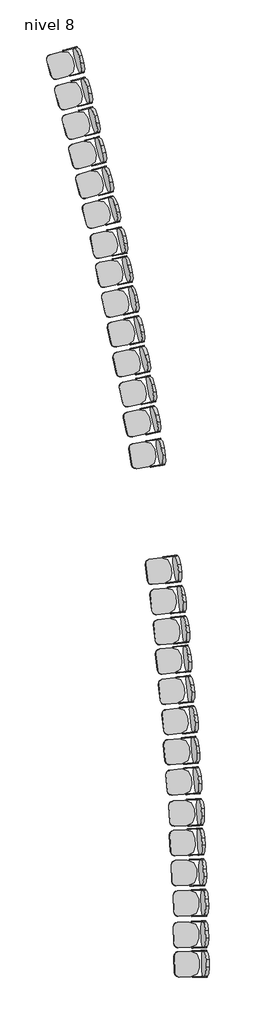
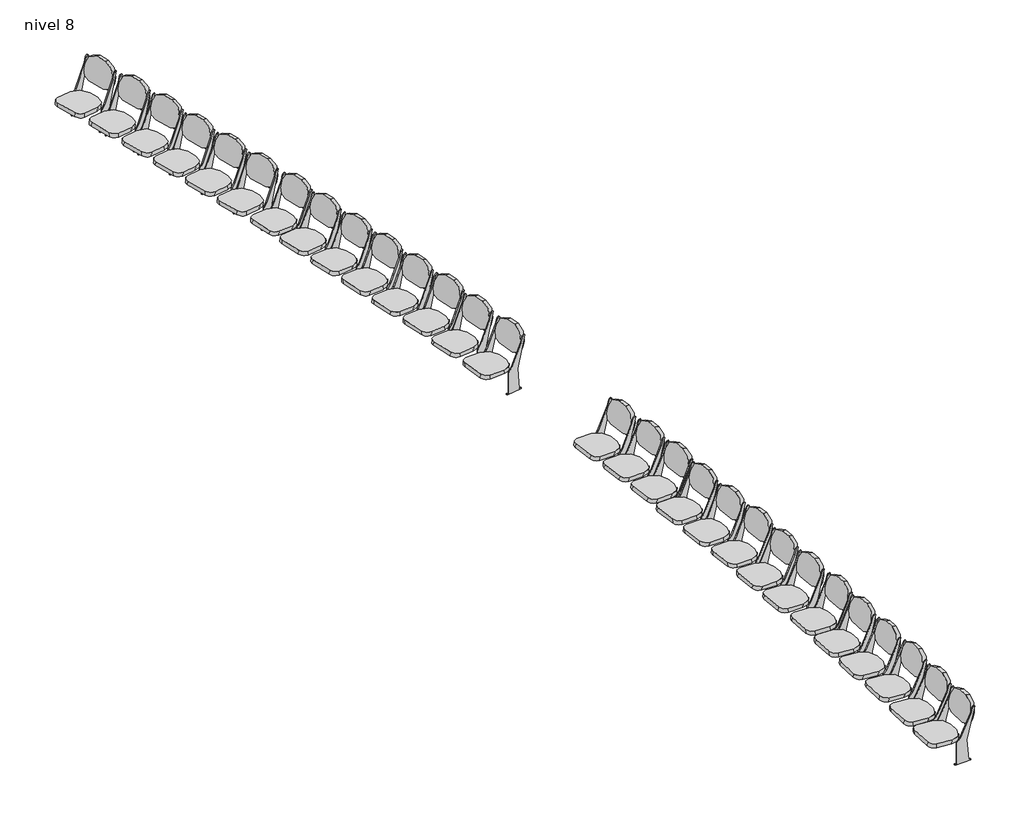
# One storey: 28 furniture elements.
"""IFC4 building model written with IfcOpenShell, lengths in millimetres."""

import ifcopenshell
import ifcopenshell.guid

model = None  # the IFC model being written
_history = None  # IfcOwnerHistory: only IFC2X3 demands one
_inside = {}  # id of a spatial element -> (the spatial element, [elements in it])
_under = {}  # id of a project, library or spatial element -> (it, [spatial elements below it])
_declared = {}  # id of a project -> (the project, [libraries it declares])
_typed = {}  # id of a type object -> (the type object, [elements of that type])
_made_of = {}  # id of a material, layer set ... -> (it, [elements and type objects made of it])


def new_model(schema):
    """Start an empty IFC model of exactly this schema.

    Asked for "IFC4X3", IfcOpenShell would pick the latest addendum, in which some entities
    have other attributes; the version numbers below select the first issue.
    IFC2X3 requires an IfcOwnerHistory on every rooted entity: one is made here for all.
    """
    global model, _history
    if schema == "IFC4X3":
        model = ifcopenshell.file(schema_version=(4, 3, 0, 0))
    else:
        model = ifcopenshell.file(schema=schema)
    _inside.clear()
    _under.clear()
    _declared.clear()
    _typed.clear()
    _made_of.clear()
    _history = None
    if model.schema == "IFC2X3":
        org = make("IfcOrganization", Name="unknown")
        user = make(
            "IfcPersonAndOrganization",
            ThePerson=make("IfcPerson", FamilyName="unknown"),
            TheOrganization=org,
        )
        app = make(
            "IfcApplication",
            ApplicationDeveloper=org,
            Version="unknown",
            ApplicationFullName="unknown",
            ApplicationIdentifier="unknown",
        )
        _history = make(
            "IfcOwnerHistory",
            OwningUser=user,
            OwningApplication=app,
            ChangeAction="ADDED",
            CreationDate=0,
        )
    return model


def make(cls, **values):
    """One entity of the class cls with the attributes given. An attribute that is None is left unset."""
    return model.create_entity(
        cls, **{name: value for name, value in values.items() if value is not None}
    )


def rooted(cls, **values):
    """An entity with a GlobalId (a new one), such as an element, a storey or a relation."""
    return make(cls, GlobalId=ifcopenshell.guid.new(), OwnerHistory=_history, **values)


def si_unit(unit_type, name, prefix=None):
    """IfcSIUnit, for example si_unit("LENGTHUNIT", "METRE", prefix="MILLI")."""
    return make("IfcSIUnit", UnitType=unit_type, Prefix=prefix, Name=name)


def assignment(units):
    """IfcUnitAssignment: the units of a project."""
    return None if units is None else make("IfcUnitAssignment", Units=units)


def point(xyz):
    """IfcCartesianPoint."""
    return None if xyz is None else make("IfcCartesianPoint", Coordinates=xyz)


def direction(xyz):
    """IfcDirection."""
    return None if xyz is None else make("IfcDirection", DirectionRatios=xyz)


def frame(location, z_axis=None, x_axis=None):
    """IfcAxis2Placement3D, a coordinate frame: its origin and axes. An axis left out is left unset."""
    return make(
        "IfcAxis2Placement3D",
        Location=point(location),
        Axis=direction(z_axis),
        RefDirection=direction(x_axis),
    )


def frame_2d(location, x_axis=None):
    """IfcAxis2Placement2D, a coordinate frame in the plane: its origin and x axis."""
    return make(
        "IfcAxis2Placement2D", Location=point(location), RefDirection=direction(x_axis)
    )


def origin():
    """The frame at (0, 0, 0) with its axes left unset."""
    return frame((0.0, 0.0, 0.0))


def place(relative_to, where):
    """IfcLocalPlacement: puts the frame where relative to a parent placement (None: the world)."""
    return make(
        "IfcLocalPlacement", PlacementRelTo=relative_to, RelativePlacement=where
    )


def context(
    kind, dimensions, precision=None, world=None, true_north=None, identifier=None
):
    """IfcGeometricRepresentationContext, for example the 3D "Model" context."""
    return make(
        "IfcGeometricRepresentationContext",
        ContextIdentifier=identifier,
        ContextType=kind,
        CoordinateSpaceDimension=dimensions,
        Precision=precision,
        WorldCoordinateSystem=world,
        TrueNorth=true_north,
    )


def project(units=None, contexts=None):
    """IfcProject with its units and contexts."""
    return rooted(
        "IfcProject",
        Name="project",
        RepresentationContexts=contexts,
        UnitsInContext=assignment(units),
    )


def spatial(cls, under=None, at=None, **own):
    """A site, building, storey or space (cls), placed at a placement, below another one or the project."""
    s = rooted(cls, ObjectPlacement=at, **own)
    if under is not None:
        _under.setdefault(under.id(), (under, []))[1].append(s)
    return s


def polyline(points):
    """IfcPolyline through the points."""
    return make("IfcPolyline", Points=[point(p) for p in points])


def circle_curve(where, radius):
    """IfcCircle in the frame where."""
    return make("IfcCircle", Position=where, Radius=radius)


def trimmed(basis, trim1, trim2, sense, master):
    """IfcTrimmedCurve: the piece of a basis curve between two trims."""
    return make(
        "IfcTrimmedCurve",
        BasisCurve=basis,
        Trim1=trim1,
        Trim2=trim2,
        SenseAgreement=sense,
        MasterRepresentation=master,
    )


def segment(curve, same_sense, transition):
    """IfcCompositeCurveSegment."""
    return make(
        "IfcCompositeCurveSegment",
        Transition=transition,
        SameSense=same_sense,
        ParentCurve=curve,
    )


def composite_curve(segments, self_intersect=None):
    """IfcCompositeCurve: segments joined end to end."""
    return make("IfcCompositeCurve", Segments=segments, SelfIntersect=self_intersect)


def outline(outer, holes=None, kind="AREA"):
    """IfcArbitraryClosedProfileDef: a profile drawn as a closed curve; with holes, ...WithVoids."""
    if holes is None:
        return make("IfcArbitraryClosedProfileDef", ProfileType=kind, OuterCurve=outer)
    return make(
        "IfcArbitraryProfileDefWithVoids",
        ProfileType=kind,
        OuterCurve=outer,
        InnerCurves=holes,
    )


def extrude(swept, where, along, depth):
    """IfcExtrudedAreaSolid: the profile swept, set in the frame where, extruded along a direction by depth."""
    return make(
        "IfcExtrudedAreaSolid",
        SweptArea=swept,
        Position=where,
        ExtrudedDirection=direction(along),
        Depth=depth,
    )


def shape(context_of_items, identifier, shape_type, items):
    """IfcShapeRepresentation: the items that make up one representation, for example the "Body"."""
    return make(
        "IfcShapeRepresentation",
        ContextOfItems=context_of_items,
        RepresentationIdentifier=identifier,
        RepresentationType=shape_type,
        Items=items,
    )


def source(mapping_origin, context_of_items, identifier, shape_type, items):
    """IfcRepresentationMap: a shape defined once, which mapped items show again and again."""
    return make(
        "IfcRepresentationMap",
        MappingOrigin=mapping_origin,
        MappedRepresentation=shape(context_of_items, identifier, shape_type, items),
    )


def transform(
    local_origin,
    x_axis=None,
    y_axis=None,
    z_axis=None,
    scale=None,
    scale2=None,
    scale3=None,
    uniform=True,
):
    """IfcCartesianTransformationOperator3D, or its non-uniform kind. x_axis, y_axis, z_axis: its Axis1, 2, 3."""
    if uniform:
        return make(
            "IfcCartesianTransformationOperator3D",
            Axis1=direction(x_axis),
            Axis2=direction(y_axis),
            LocalOrigin=point(local_origin),
            Scale=scale,
            Axis3=direction(z_axis),
        )
    return make(
        "IfcCartesianTransformationOperator3DnonUniform",
        Axis1=direction(x_axis),
        Axis2=direction(y_axis),
        LocalOrigin=point(local_origin),
        Scale=scale,
        Axis3=direction(z_axis),
        Scale2=scale2,
        Scale3=scale3,
    )


def mapped(mapping_source, mapping_target):
    """IfcMappedItem: shows the shape of a source again, moved by a transform."""
    return make(
        "IfcMappedItem", MappingSource=mapping_source, MappingTarget=mapping_target
    )


def made_of(thing, what):
    """Note that an element or type object is made of a material, layer set ...; save() writes the relation."""
    if what is not None:
        _made_of.setdefault(what.id(), (what, []))[1].append(thing)
    return thing


def element(
    cls,
    number,
    at=None,
    inside=None,
    cuts=None,
    type_object=None,
    material=None,
    context=None,
    identifier="Body",
    shape_type=None,
    held_by="IfcProductDefinitionShape",
    body=None,
    shapes=None,
    **own,
):
    """One element of the class cls, such as IfcWall. Its Tag is "e" and its number.

    at: its placement. inside: the storey or other place that contains it. cuts: it is an
    opening in that element (IfcRelVoidsElement). A single representation is given by context,
    identifier, shape_type and body (its items); several are given by shapes. held_by: the class
    of the entity that holds the representations. save() writes the other relations.
    """
    e = rooted(cls, Tag="e%d" % number, ObjectPlacement=at, **own)
    if body is not None:
        shapes = [shape(context, identifier, shape_type, body)]
    if shapes is not None:
        e.Representation = make(held_by, Representations=shapes)
    if inside is not None:
        _inside.setdefault(inside.id(), (inside, []))[1].append(e)
    if cuts is not None:
        rooted(
            "IfcRelVoidsElement", RelatingBuildingElement=cuts, RelatedOpeningElement=e
        )
    if type_object is not None:
        _typed.setdefault(type_object.id(), (type_object, []))[1].append(e)
    return made_of(e, material)


def aggregate(whole, parts):
    """IfcRelAggregates: a whole, such as a stair, and the parts it consists of."""
    return rooted("IfcRelAggregates", RelatingObject=whole, RelatedObjects=parts)


def save(model, path):
    """Write the relations noted so far, then the file.

    IfcRelAggregates (storeys below a building ...), IfcRelContainedInSpatialStructure (elements
    in a storey), IfcRelDefinesByType, IfcRelAssociatesMaterial and IfcRelDeclares: one each for
    every whole, place, type object, material and project.
    """
    for whole, parts in _under.values():
        aggregate(whole, parts)
    for where, things in _inside.values():
        rooted(
            "IfcRelContainedInSpatialStructure",
            RelatedElements=things,
            RelatingStructure=where,
        )
    for kind, things in _typed.values():
        rooted("IfcRelDefinesByType", RelatedObjects=things, RelatingType=kind)
    for what, things in _made_of.values():
        rooted("IfcRelAssociatesMaterial", RelatedObjects=things, RelatingMaterial=what)
    for by, libraries in _declared.values():
        rooted("IfcRelDeclares", RelatingContext=by, RelatedDefinitions=libraries)
    model.write(path)


def furniture_457_x_610mm_3d1d9cbc(model_context):
    return source(origin(), model_context, "Body", "SweptSolid", [
        extrude(outline(composite_curve([segment(polyline([(0.0, 0.0), (127.0, 0.0)]), True, "CONTINUOUS"), segment(trimmed(circle_curve(frame_2d((127.0, -152.4)), 152.4), [point((127.0, 0.0))], [point((279.4, -152.4))], False, "CARTESIAN"), True, "CONTINUOUS"), segment(polyline([(279.4, -152.4), (279.4, -224.0588601)]), True, "CONTINUOUS"), segment(trimmed(circle_curve(frame_2d((177.8, -224.0588601)), 101.6), [point((279.4, -224.0588601))], [point((177.8, -325.6588601))], False, "CARTESIAN"), True, "CONTINUOUS"), segment(polyline([(177.8, -325.6588601), (-50.8, -325.6588601)]), True, "CONTINUOUS"), segment(trimmed(circle_curve(frame_2d((-50.8, -224.0588601)), 101.6), [point((-50.8, -325.6588601))], [point((-152.4, -224.0588601))], False, "CARTESIAN"), True, "CONTINUOUS"), segment(polyline([(-152.4, -224.0588601), (-152.4, -152.4)]), True, "CONTINUOUS"), segment(trimmed(circle_curve(frame_2d((0.0, -152.4)), 152.4), [point((-152.4, -152.4))], [point((0.0, 0.0))], False, "CARTESIAN"), True, "CONTINUOUS")], self_intersect=False)), frame((224.2278689, -101.3396919, 755.9484479), z_axis=(0.0, 0.9717404775047361, 0.23605178325712217), x_axis=(-1.0, 0.0, 0.0)), (0.0, 0.0, 1.0), 50.8),
        extrude(outline(composite_curve([segment(trimmed(circle_curve(frame_2d((0.0, -76.2)), 76.2), [point((0.0, 0.0))], [point((76.2, -76.2))], False, "CARTESIAN"), True, "CONTINUOUS"), segment(polyline([(76.2, -76.2), (76.2, -276.4123505)]), True, "CONTINUOUS"), segment(trimmed(circle_curve(frame_2d((-76.2, -276.4123505)), 152.4), [point((76.2, -276.4123505))], [point((-76.2, -428.8123506))], False, "CARTESIAN"), True, "CONTINUOUS"), segment(polyline([(-76.2, -428.8123506), (-203.2, -428.8123506)]), True, "CONTINUOUS"), segment(trimmed(circle_curve(frame_2d((-203.2, -276.4123505)), 152.4), [point((-203.2, -428.8123506))], [point((-355.6, -276.4123505))], False, "CARTESIAN"), True, "CONTINUOUS"), segment(polyline([(-355.6, -276.4123505), (-355.6, -76.2)]), True, "CONTINUOUS"), segment(trimmed(circle_curve(frame_2d((-279.4, -76.2)), 76.2), [point((-355.6, -76.2))], [point((-279.4, 0.0))], False, "CARTESIAN"), True, "CONTINUOUS"), segment(polyline([(-279.4, 0.0), (0.0, 0.0)]), True, "CONTINUOUS")], self_intersect=False)), frame((300.4278689, 497.5245173, 321.2380213), z_axis=(0.0, -0.08715574274765496, 0.9961946980917459), x_axis=(1.0, 0.0, 0.0)), (0.0, 0.0, 1.0), 50.8),
        extrude(outline(composite_curve([segment(polyline([(-13.3245902, 0.0), (-13.3245902, 12.7), (12.0754098, 12.7), (37.4754098, 292.1), (-64.1245902, 711.2), (-57.883846, 711.2)]), True, "CONTINUOUS"), segment(trimmed(circle_curve(frame_2d((-57.883846, 685.8)), 25.4), [point((-57.883846, 711.2))], [point((-33.4611378, 692.7779166))], False, "CARTESIAN"), True, "CONTINUOUS"), segment(polyline([(-33.4611378, 692.7779166), (-13.3245902, 622.3), (121.8491486, 342.9), (164.4754098, 292.1), (164.4754098, 12.7), (189.8754098, 12.7), (189.8754098, 0.0), (-13.3245902, 0.0)]), True, "CONTINUOUS")], self_intersect=False)), frame((-67.8721311, 0.0, 0.0), z_axis=(1.0, 0.0, 0.0), x_axis=(0.0, 1.0, 0.0)), (0.0, 0.0, 1.0), 12.7),
        extrude(outline(composite_curve([segment(polyline([(-13.3245902, 12.7), (12.0754098, 12.7), (37.4754098, 292.1), (-64.1245902, 711.2), (-57.883846, 711.2)]), True, "CONTINUOUS"), segment(trimmed(circle_curve(frame_2d((-57.883846, 685.8)), 25.4), [point((-57.883846, 711.2))], [point((-33.4611378, 692.7779166))], False, "CARTESIAN"), True, "CONTINUOUS"), segment(polyline([(-33.4611378, 692.7779166), (-13.3245902, 622.3), (121.8491486, 342.9), (164.4754098, 292.1), (164.4754098, 12.7), (189.8754098, 12.7), (189.8754098, 0.0), (-13.3245902, 0.0), (-13.3245902, 12.7)]), True, "CONTINUOUS")], self_intersect=False)), frame((376.6278689, 0.0, 0.0), z_axis=(1.0, 0.0, 0.0), x_axis=(0.0, 1.0, 0.0)), (0.0, 0.0, 1.0), 12.7),
    ])


model = new_model("IFC4")

# Units and contexts
model_context = context("Model", 3, world=origin())
ifc_project = project(units=[si_unit("LENGTHUNIT", "METRE", prefix="MILLI")], contexts=[model_context])

# Site, building, storey
site = spatial("IfcSite", under=ifc_project)
building = spatial("IfcBuilding", under=site)
storey = spatial("IfcBuildingStorey", under=building, Name="nivel 8", Elevation=5980.0)

# Furniture
placement = place(None, origin())
furniture_457_x_610mm_shape = furniture_457_x_610mm_3d1d9cbc(model_context)
element("IfcFurniture", 1, ObjectType="457 x 610mm", at=placement, inside=storey, context=model_context, shape_type="MappedRepresentation", body=[
    mapped(furniture_457_x_610mm_shape, transform((-27811.2921966, 48457.4427726, 5980.0), x_axis=(-0.2584016937015298, 0.9660375586343323, 0.0), y_axis=(-0.9660375586343323, -0.2584016937015298, 0.0), z_axis=(0.0, 0.0, 1.0))),
])
element("IfcFurniture", 2, ObjectType="457 x 610mm", at=placement, inside=storey, context=model_context, shape_type="MappedRepresentation", body=[
    mapped(furniture_457_x_610mm_shape, transform((-27674.5589807, 47938.0806174, 5980.0), x_axis=(-0.2584016937015299, 0.9660375586343322, 0.0), y_axis=(-0.9660375586343322, -0.2584016937015299, 0.0), z_axis=(0.0, 0.0, 1.0))),
])
element("IfcFurniture", 3, ObjectType="457 x 610mm", at=placement, inside=storey, context=model_context, shape_type="MappedRepresentation", body=[
    mapped(furniture_457_x_610mm_shape, transform((-27546.5577471, 47434.9935864, 5980.0), x_axis=(-0.2584016937015299, 0.9660375586343322, 0.0), y_axis=(-0.9660375586343322, -0.2584016937015299, 0.0), z_axis=(0.0, 0.0, 1.0))),
])
element("IfcFurniture", 4, ObjectType="457 x 610mm", at=placement, inside=storey, context=model_context, shape_type="MappedRepresentation", body=[
    mapped(furniture_457_x_610mm_shape, transform((-27436.9680763, 46927.4174094, 5980.0), x_axis=(-0.2584016937015299, 0.9660375586343322, 0.0), y_axis=(-0.9660375586343322, -0.2584016937015299, 0.0), z_axis=(0.0, 0.0, 1.0))),
])
element("IfcFurniture", 5, ObjectType="457 x 610mm", at=placement, inside=storey, context=model_context, shape_type="MappedRepresentation", body=[
    mapped(furniture_457_x_610mm_shape, transform((-27317.2068585, 46422.4286612, 5980.0), x_axis=(-0.2584016937015299, 0.9660375586343322, 0.0), y_axis=(-0.9660375586343322, -0.2584016937015299, 0.0), z_axis=(0.0, 0.0, 1.0))),
])
element("IfcFurniture", 6, ObjectType="457 x 610mm", at=placement, inside=storey, context=model_context, shape_type="MappedRepresentation", body=[
    mapped(furniture_457_x_610mm_shape, transform((-27201.5611825, 45916.4735723, 5980.0), x_axis=(-0.2584016937015299, 0.9660375586343322, 0.0), y_axis=(-0.9660375586343322, -0.2584016937015299, 0.0), z_axis=(0.0, 0.0, 1.0))),
])
element("IfcFurniture", 7, ObjectType="457 x 610mm", at=placement, inside=storey, context=model_context, shape_type="MappedRepresentation", body=[
    mapped(furniture_457_x_610mm_shape, transform((-27077.3260007, 45384.3078751, 5980.0), x_axis=(-0.21089145665851777, 0.977509485124543, 0.0), y_axis=(-0.977509485124543, -0.21089145665851777, 0.0), z_axis=(0.0, 0.0, 1.0))),
])
element("IfcFurniture", 8, ObjectType="457 x 610mm", at=placement, inside=storey, context=model_context, shape_type="MappedRepresentation", body=[
    mapped(furniture_457_x_610mm_shape, transform((-26988.1119253, 44890.964185, 5980.0), x_axis=(-0.21089145665851783, 0.9775094851245426, 0.0), y_axis=(-0.9775094851245426, -0.21089145665851783, 0.0), z_axis=(0.0, 0.0, 1.0))),
])
element("IfcFurniture", 9, ObjectType="457 x 610mm", at=placement, inside=storey, context=model_context, shape_type="MappedRepresentation", body=[
    mapped(furniture_457_x_610mm_shape, transform((-26884.8647616, 44382.3421168, 5980.0), x_axis=(-0.21089145665851783, 0.9775094851245426, 0.0), y_axis=(-0.9775094851245426, -0.21089145665851783, 0.0), z_axis=(0.0, 0.0, 1.0))),
])
element("IfcFurniture", 10, ObjectType="457 x 610mm", at=placement, inside=storey, context=model_context, shape_type="MappedRepresentation", body=[
    mapped(furniture_457_x_610mm_shape, transform((-26785.7624348, 43872.8882885, 5980.0), x_axis=(-0.21089145665851783, 0.9775094851245426, 0.0), y_axis=(-0.9775094851245426, -0.21089145665851783, 0.0), z_axis=(0.0, 0.0, 1.0))),
])
element("IfcFurniture", 11, ObjectType="457 x 610mm", at=placement, inside=storey, context=model_context, shape_type="MappedRepresentation", body=[
    mapped(furniture_457_x_610mm_shape, transform((-26690.8144963, 43362.6518001, 5980.0), x_axis=(-0.21089145665851783, 0.9775094851245426, 0.0), y_axis=(-0.9775094851245426, -0.21089145665851783, 0.0), z_axis=(0.0, 0.0, 1.0))),
])
element("IfcFurniture", 12, ObjectType="457 x 610mm", at=placement, inside=storey, context=model_context, shape_type="MappedRepresentation", body=[
    mapped(furniture_457_x_610mm_shape, transform((-26585.5183838, 42854.1675819, 5980.0), x_axis=(-0.21089145665851783, 0.9775094851245426, 0.0), y_axis=(-0.9775094851245426, -0.21089145665851783, 0.0), z_axis=(0.0, 0.0, 1.0))),
])
element("IfcFurniture", 13, ObjectType="457 x 610mm", at=placement, inside=storey, context=model_context, shape_type="MappedRepresentation", body=[
    mapped(furniture_457_x_610mm_shape, transform((-26513.4008788, 42339.9356831, 5980.0), x_axis=(-0.21089145665851783, 0.9775094851245426, 0.0), y_axis=(-0.9775094851245426, -0.21089145665851783, 0.0), z_axis=(0.0, 0.0, 1.0))),
])
element("IfcFurniture", 14, ObjectType="457 x 610mm", at=placement, inside=storey, context=model_context, shape_type="MappedRepresentation", body=[
    mapped(furniture_457_x_610mm_shape, transform((-26432.3786192, 41778.7161083, 5980.0), x_axis=(-0.15667201232578415, 0.9876506875174992, 0.0), y_axis=(-0.9876506875174992, -0.15667201232578415, 0.0), z_axis=(0.0, 0.0, 1.0))),
])
element("IfcFurniture", 15, ObjectType="457 x 610mm", at=placement, inside=storey, context=model_context, shape_type="MappedRepresentation", body=[
    mapped(furniture_457_x_610mm_shape, transform((-26159.6723804, 39790.3607572, 5980.0), x_axis=(-0.12162235780785148, 0.9925764464671017, 0.0), y_axis=(-0.9925764464671017, -0.12162235780785148, 0.0), z_axis=(0.0, 0.0, 1.0))),
])
element("IfcFurniture", 16, ObjectType="457 x 610mm", at=placement, inside=storey, context=model_context, shape_type="MappedRepresentation", body=[
    mapped(furniture_457_x_610mm_shape, transform((-26083.6584679, 39275.2053821, 5980.0), x_axis=(-0.11503103689866584, 0.993361898076435, 0.0), y_axis=(-0.993361898076435, -0.11503103689866584, 0.0), z_axis=(0.0, 0.0, 1.0))),
])
element("IfcFurniture", 17, ObjectType="457 x 610mm", at=placement, inside=storey, context=model_context, shape_type="MappedRepresentation", body=[
    mapped(furniture_457_x_610mm_shape, transform((-26023.8583469, 38758.7955219, 5980.0), x_axis=(-0.11503103689866584, 0.993361898076435, 0.0), y_axis=(-0.993361898076435, -0.11503103689866584, 0.0), z_axis=(0.0, 0.0, 1.0))),
])
element("IfcFurniture", 18, ObjectType="457 x 610mm", at=placement, inside=storey, context=model_context, shape_type="MappedRepresentation", body=[
    mapped(furniture_457_x_610mm_shape, transform((-25988.9248523, 38259.33204, 5980.0), x_axis=(-0.11503103689866584, 0.993361898076435, 0.0), y_axis=(-0.993361898076435, -0.11503103689866584, 0.0), z_axis=(0.0, 0.0, 1.0))),
])
element("IfcFurniture", 19, ObjectType="457 x 610mm", at=placement, inside=storey, context=model_context, shape_type="MappedRepresentation", body=[
    mapped(furniture_457_x_610mm_shape, transform((-25939.5587325, 37742.6896382, 5980.0), x_axis=(-0.11503103689866584, 0.993361898076435, 0.0), y_axis=(-0.993361898076435, -0.11503103689866584, 0.0), z_axis=(0.0, 0.0, 1.0))),
])
element("IfcFurniture", 20, ObjectType="457 x 610mm", at=placement, inside=storey, context=model_context, shape_type="MappedRepresentation", body=[
    mapped(furniture_457_x_610mm_shape, transform((-25879.7298818, 37226.8757376, 5980.0), x_axis=(-0.11503103689866584, 0.993361898076435, 0.0), y_axis=(-0.993361898076435, -0.11503103689866584, 0.0), z_axis=(0.0, 0.0, 1.0))),
])
element("IfcFurniture", 21, ObjectType="457 x 610mm", at=placement, inside=storey, context=model_context, shape_type="MappedRepresentation", body=[
    mapped(furniture_457_x_610mm_shape, transform((-25856.9335778, 36703.1918875, 5980.0), x_axis=(-0.09040523056330585, 0.9959050628884238, 0.0), y_axis=(-0.9959050628884238, -0.09040523056330585, 0.0), z_axis=(0.0, 0.0, 1.0))),
])
element("IfcFurniture", 22, ObjectType="457 x 610mm", at=placement, inside=storey, context=model_context, shape_type="MappedRepresentation", body=[
    mapped(furniture_457_x_610mm_shape, transform((-25820.205213, 36185.4897515, 5980.0), x_axis=(-0.09040523056330585, 0.9959050628884238, 0.0), y_axis=(-0.9959050628884238, -0.09040523056330585, 0.0), z_axis=(0.0, 0.0, 1.0))),
])
element("IfcFurniture", 23, ObjectType="457 x 610mm", at=placement, inside=storey, context=model_context, shape_type="MappedRepresentation", body=[
    mapped(furniture_457_x_610mm_shape, transform((-25776.6112962, 35644.044827, 5980.0), x_axis=(-0.05857859628178687, 0.9982827996402904, 0.0), y_axis=(-0.9982827996402904, -0.05857859628178687, 0.0), z_axis=(0.0, 0.0, 1.0))),
])
element("IfcFurniture", 24, ObjectType="457 x 610mm", at=placement, inside=storey, context=model_context, shape_type="MappedRepresentation", body=[
    mapped(furniture_457_x_610mm_shape, transform((-25764.0693177, 35142.856388, 5980.0), x_axis=(-0.058578596281786854, 0.99828279964029, 0.0), y_axis=(-0.99828279964029, -0.058578596281786854, 0.0), z_axis=(0.0, 0.0, 1.0))),
])
element("IfcFurniture", 25, ObjectType="457 x 610mm", at=placement, inside=storey, context=model_context, shape_type="MappedRepresentation", body=[
    mapped(furniture_457_x_610mm_shape, transform((-25698.3481861, 33061.465024, 5980.0), x_axis=(-0.024535489303046942, 0.9996989595696597, 0.0), y_axis=(-0.9996989595696597, -0.024535489303046942, 0.0), z_axis=(0.0, 0.0, 1.0))),
])
element("IfcFurniture", 26, ObjectType="457 x 610mm", at=placement, inside=storey, context=model_context, shape_type="MappedRepresentation", body=[
    mapped(furniture_457_x_610mm_shape, transform((-25710.6420225, 33562.3776105, 5980.0), x_axis=(-0.024535489303046942, 0.9996989595696597, 0.0), y_axis=(-0.9996989595696597, -0.024535489303046942, 0.0), z_axis=(0.0, 0.0, 1.0))),
])
element("IfcFurniture", 27, ObjectType="457 x 610mm", at=placement, inside=storey, context=model_context, shape_type="MappedRepresentation", body=[
    mapped(furniture_457_x_610mm_shape, transform((-25710.6462333, 34099.606785, 5980.0), x_axis=(-0.024535489303046942, 0.9996989595696597, 0.0), y_axis=(-0.9996989595696597, -0.024535489303046942, 0.0), z_axis=(0.0, 0.0, 1.0))),
])
element("IfcFurniture", 28, ObjectType="457 x 610mm", at=placement, inside=storey, context=model_context, shape_type="MappedRepresentation", body=[
    mapped(furniture_457_x_610mm_shape, transform((-25745.2045231, 34617.7276165, 5980.0), x_axis=(-0.024535489303046942, 0.9996989595696597, 0.0), y_axis=(-0.9996989595696597, -0.024535489303046942, 0.0), z_axis=(0.0, 0.0, 1.0))),
])

save(model, "model.ifc")
